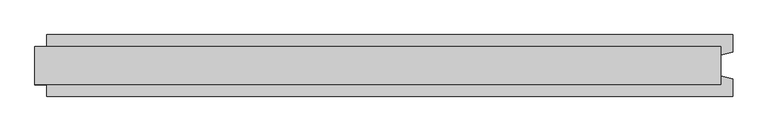
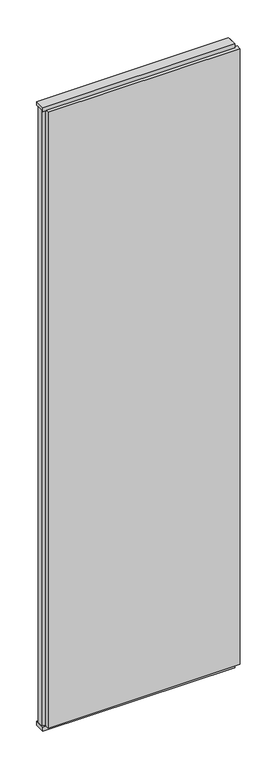
"""IFC4 building model written with IfcOpenShell, lengths in millimetres: plate geometry."""

from ifc_helpers import new_model, si_unit, frame, origin, origin_with_axes, place, context, project, spatial, polyline, outline, extrude, source, transform, mapped, element, save


def plate_b76751d0(model_context):
    return source(origin(), model_context, "Body", "SweptSolid", [
        extrude(outline(polyline([(602.9166667, 52.5), (602.9166667, 22.9993165), (582.9166667, 17.6401049), (582.9166667, -17.6401049), (602.9166667, -22.9993165), (602.9166667, -52.5), (-562.9166667, -52.5), (-562.9166667, -22.9993165), (-582.9166667, -17.6401049), (-582.9166667, 17.6401049), (-562.9166667, 22.9993165), (-562.9166667, 52.5), (602.9166667, 52.5)])), frame((0.0, 0.0, 25.0), z_axis=(0.0, 0.0, 1.0), x_axis=(1.0, 0.0, 0.0)), (0.0, 0.0, 1.0), 3950.0),
        extrude(outline(polyline([(582.9166667, 32.0), (582.9166667, -32.0), (-582.9166667, -32.0), (-582.9166667, 32.0), (582.9166667, 32.0)])), origin_with_axes(), (0.0, 0.0, 1.0), 25.0),
        extrude(outline(polyline([(582.9166667, 32.0), (582.9166667, -32.0), (-582.9166667, -32.0), (-582.9166667, 32.0), (582.9166667, 32.0)])), frame((0.0, 0.0, 3975.0), z_axis=(0.0, 0.0, 1.0), x_axis=(1.0, 0.0, 0.0)), (0.0, 0.0, 1.0), 25.0),
    ])


if __name__ == "__main__":
    model = new_model("IFC4")
    model_context = context("Model", 3, world=origin())
    ifc_project = project(units=[si_unit("LENGTHUNIT", "METRE", prefix="MILLI")], contexts=[model_context])
    site = spatial("IfcSite", under=ifc_project)
    building = spatial("IfcBuilding", under=site)
    placement = place(None, origin())
    plate_shape = plate_b76751d0(model_context)
    element("IfcPlate", 1, at=placement, inside=building, context=model_context, shape_type="MappedRepresentation", body=[
        mapped(plate_shape, transform((0.0, 0.0, 0.0), x_axis=(1.0, 0.0, 0.0), y_axis=(0.0, 1.0, 0.0), z_axis=(0.0, 0.0, 1.0))),
    ])
    save(model, "model.ifc")
